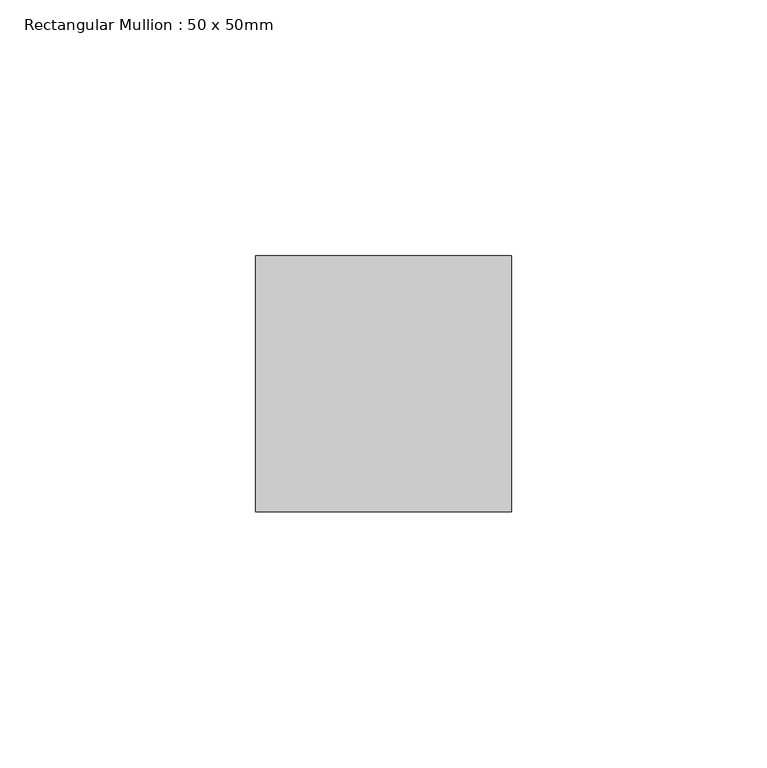
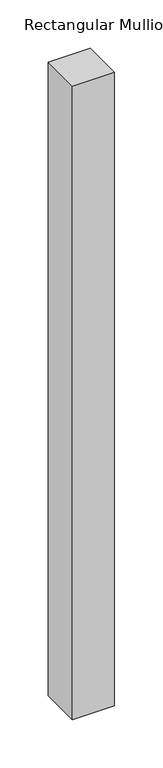
"""IFC4 building model written with IfcOpenShell, lengths in millimetres: member geometry, Rectangular Mullion : 50 x 50mm."""

from ifc_helpers import new_model, si_unit, frame, origin, place, context, project, spatial, polyline, outline, extrude, source, transform, mapped, element, save


def rectangular_mullion_50_x_50mm_5db4b860(model_context):
    return source(origin(), model_context, "Body", "SweptSolid", [
        extrude(outline(polyline([(0.0, 50.0), (0.0, 0.0), (-50.0, 0.0), (-50.0, 50.0), (0.0, 50.0)])), frame((0.0, 0.0, -800.0), z_axis=(0.0, 0.0, 1.0), x_axis=(1.0, 0.0, 0.0)), (0.0, 0.0, 1.0), 800.0),
    ])


if __name__ == "__main__":
    model = new_model("IFC4")
    model_context = context("Model", 3, world=origin())
    ifc_project = project(units=[si_unit("LENGTHUNIT", "METRE", prefix="MILLI")], contexts=[model_context])
    site = spatial("IfcSite", under=ifc_project)
    building = spatial("IfcBuilding", under=site)
    placement = place(None, origin())
    rectangular_mullion_50_x_50mm_shape = rectangular_mullion_50_x_50mm_5db4b860(model_context)
    element("IfcMember", 1, ObjectType="Rectangular Mullion : 50 x 50mm", at=placement, inside=building, context=model_context, shape_type="MappedRepresentation", body=[
        mapped(rectangular_mullion_50_x_50mm_shape, transform((0.0, 0.0, 0.0), x_axis=(1.0, 0.0, 0.0), y_axis=(0.0, 1.0, 0.0), z_axis=(0.0, 0.0, 1.0))),
    ])
    save(model, "model.ifc")
